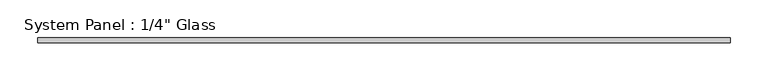
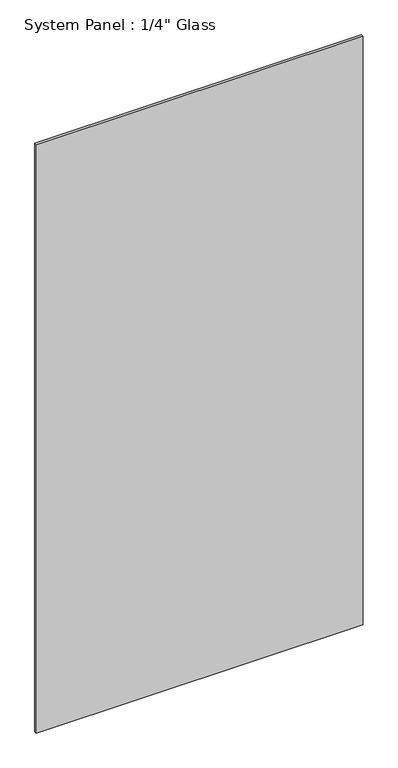
"""IFC4 building model written with IfcOpenShell, lengths in millimetres: plate geometry."""

from ifc_helpers import new_model, si_unit, origin, origin_with_axes, place, context, project, spatial, polyline, outline, extrude, source, transform, mapped, element, save


def plate_744cbc8e(model_context):
    return source(origin(), model_context, "Body", "SweptSolid", [
        extrude(outline(polyline([(457.2, -3.175), (-457.2, -3.175), (-457.2, 3.175), (457.2, 3.175), (457.2, -3.175)])), origin_with_axes(), (0.0, 0.0, 1.0), 1739.9),
    ])


if __name__ == "__main__":
    model = new_model("IFC4")
    model_context = context("Model", 3, world=origin())
    ifc_project = project(units=[si_unit("LENGTHUNIT", "METRE", prefix="MILLI")], contexts=[model_context])
    site = spatial("IfcSite", under=ifc_project)
    building = spatial("IfcBuilding", under=site)
    placement = place(None, origin())
    plate_shape = plate_744cbc8e(model_context)
    element("IfcPlate", 1, ObjectType="System Panel : 1/4\" Glass", at=placement, inside=building, context=model_context, shape_type="MappedRepresentation", body=[
        mapped(plate_shape, transform((0.0, 0.0, 0.0), x_axis=(1.0, 0.0, 0.0), y_axis=(0.0, 1.0, 0.0), z_axis=(0.0, 0.0, 1.0))),
    ])
    save(model, "model.ifc")
